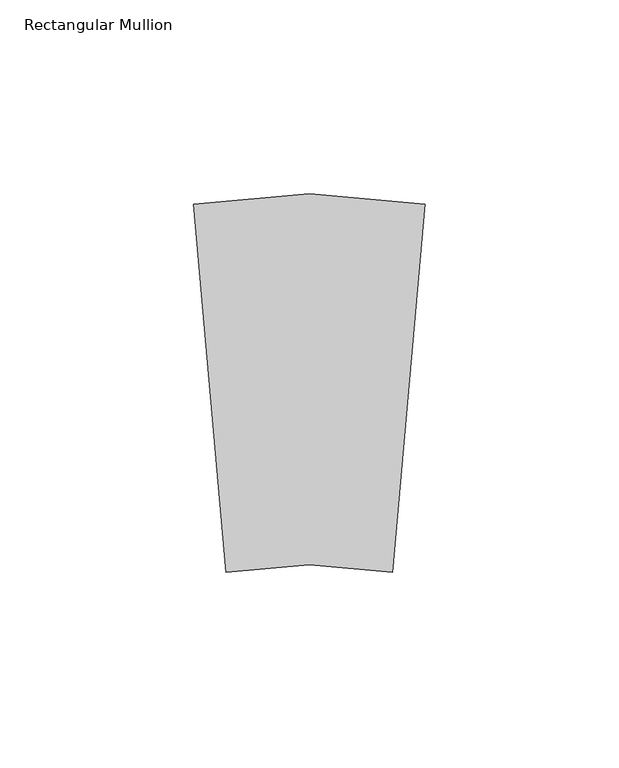
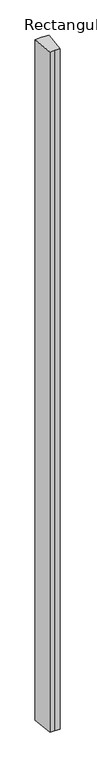
"""IFC4 building model written with IfcOpenShell, lengths in millimetres: member geometry, Rectangular Mullion."""

from ifc_helpers import new_model, si_unit, frame, origin, place, context, project, spatial, polyline, outline, extrude, source, transform, mapped, element, save


def rectangular_mullion_6a3149bb(model_context):
    return source(origin(), model_context, "Body", "SweptSolid", [
        extrude(outline(polyline([(-51.3207138, -128.5919546), (-59.6222983, -33.7044096), (-29.8111491, -31.096272), (0.0, -33.7044096), (-8.3015845, -128.5919546), (-29.8111491, -126.7101116), (-51.3207138, -128.5919546)])), frame((0.0, 0.0, -3048.0), z_axis=(0.0, 0.0, 1.0), x_axis=(1.0, 0.0, 0.0)), (0.0, 0.0, 1.0), 3048.0),
    ])


if __name__ == "__main__":
    model = new_model("IFC4")
    model_context = context("Model", 3, world=origin())
    ifc_project = project(units=[si_unit("LENGTHUNIT", "METRE", prefix="MILLI")], contexts=[model_context])
    site = spatial("IfcSite", under=ifc_project)
    building = spatial("IfcBuilding", under=site)
    placement = place(None, origin())
    rectangular_mullion_shape = rectangular_mullion_6a3149bb(model_context)
    element("IfcMember", 1, ObjectType="Rectangular Mullion", at=placement, inside=building, context=model_context, shape_type="MappedRepresentation", body=[
        mapped(rectangular_mullion_shape, transform((0.0, 0.0, 0.0), x_axis=(1.0, 0.0, 0.0), y_axis=(0.0, 1.0, 0.0), z_axis=(0.0, 0.0, 1.0))),
    ])
    save(model, "model.ifc")
